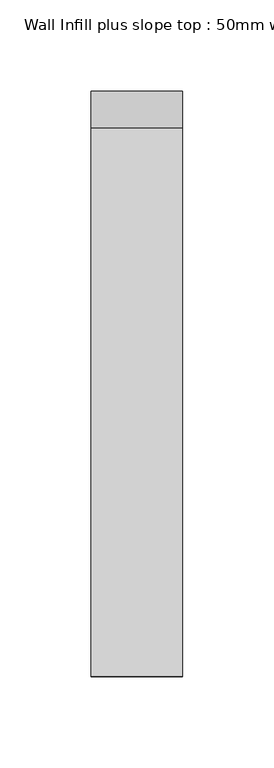
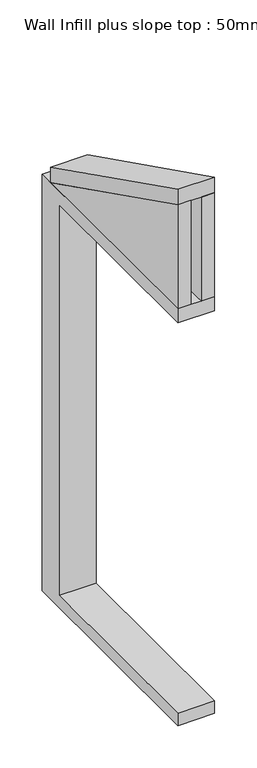
"""IFC4 building model written with IfcOpenShell, lengths in millimetres: furniture geometry, Wall Infill plus slope top : 50mm wide wall infill plus slope top."""

from ifc_helpers import new_model, si_unit, frame, origin, place, context, project, spatial, polyline, outline, extrude, source, transform, mapped, element, save


def wall_infill_plus_slope_top_50mm_wide_wall_infill_plus_slope_7c1a7ffe(model_context):
    return source(origin(), model_context, "Body", "SweptSolid", [
        extrude(outline(polyline([(0.4, 2100.0), (320.4, 2100.0), (320.4, 1500.0), (0.4, 1500.0), (0.4, 1518.0), (280.4, 1518.0), (280.4, 2080.0), (0.4, 2080.0), (0.4, 2100.0)])), frame((125.0, 0.0, 0.0), z_axis=(1.0, 0.0, 0.0), x_axis=(0.0, 1.0, 0.0)), (0.0, 0.0, 1.0), 50.0),
        extrude(outline(polyline([(0.4, 2250.0), (300.4, 2100.0), (0.4, 2100.0), (0.4, 2250.0)])), frame((157.0, 0.0, 0.0), z_axis=(1.0, 0.0, 0.0), x_axis=(0.0, 1.0, 0.0)), (0.0, 0.0, 1.0), 18.0),
        extrude(outline(polyline([(0.4, 2250.0), (300.4, 2100.0), (0.4, 2100.0), (0.4, 2250.0)])), frame((125.0, 0.0, 0.0), z_axis=(1.0, 0.0, 0.0), x_axis=(0.0, 1.0, 0.0)), (0.0, 0.0, 1.0), 18.0),
        extrude(outline(polyline([(0.4, 2272.3606798), (300.4, 2122.3606798), (300.4, 2100.0), (0.4, 2250.0), (0.4, 2272.3606798)])), frame((125.0, 0.0, 0.0), z_axis=(1.0, 0.0, 0.0), x_axis=(0.0, 1.0, 0.0)), (0.0, 0.0, 1.0), 50.0),
    ])


if __name__ == "__main__":
    model = new_model("IFC4")
    model_context = context("Model", 3, world=origin())
    ifc_project = project(units=[si_unit("LENGTHUNIT", "METRE", prefix="MILLI")], contexts=[model_context])
    site = spatial("IfcSite", under=ifc_project)
    building = spatial("IfcBuilding", under=site)
    placement = place(None, origin())
    wall_infill_plus_slope_top_50mm_wide_wall_infill_plus_slope_shape = wall_infill_plus_slope_top_50mm_wide_wall_infill_plus_slope_7c1a7ffe(model_context)
    element("IfcFurniture", 1, ObjectType="Wall Infill plus slope top : 50mm wide wall infill plus slope top", at=placement, inside=building, context=model_context, shape_type="MappedRepresentation", body=[
        mapped(wall_infill_plus_slope_top_50mm_wide_wall_infill_plus_slope_shape, transform((0.0, 0.0, 0.0), x_axis=(1.0, 0.0, 0.0), y_axis=(0.0, 1.0, 0.0), z_axis=(0.0, 0.0, 1.0))),
    ])
    save(model, "model.ifc")
